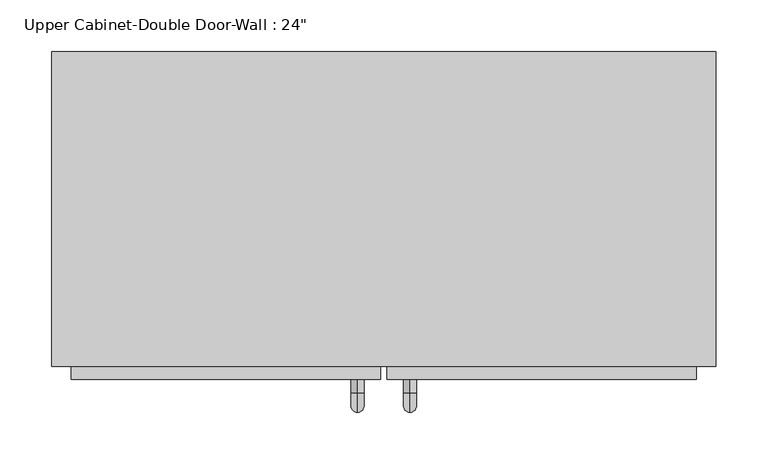
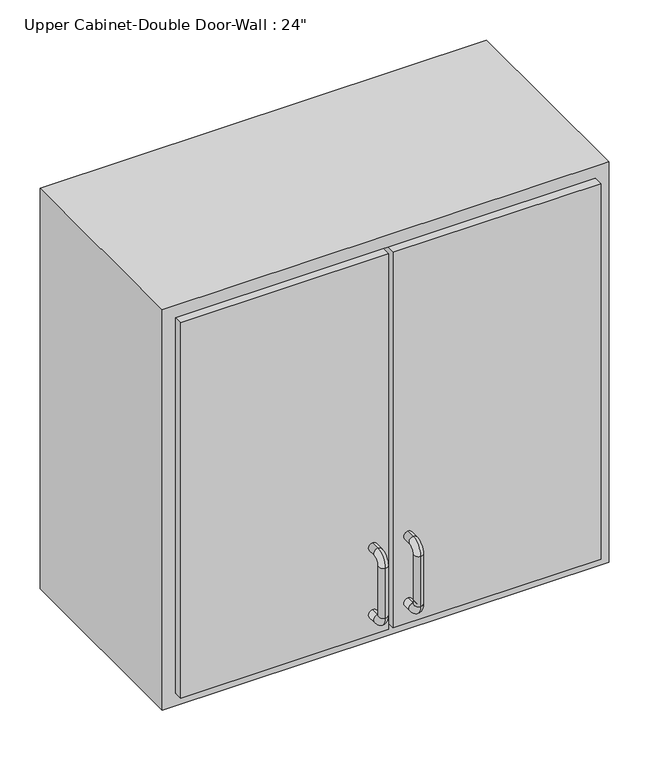
"""IFC4 building model written with IfcOpenShell, lengths in millimetres: furniture geometry."""

from ifc_helpers import new_model, si_unit, point, frame, origin, place, context, project, spatial, polyline, circle_curve, ellipse_curve, trimmed, outline, extrude, faceted_brep, source, transform, mapped, element, save
from ifc_brep_helpers import plane_surface, cylinder_surface, revolved_surface, advanced_brep


def furniture_c3daa6cf(model_context):
    return source(origin(), model_context, "Body", "SolidModel", [
        faceted_brep([(-291.7857108, -101.6, 2133.6), (351.3280364, -101.6, 2133.6), (351.3280364, -101.6, 1524.0), (-291.7857108, -101.6, 1524.0), (-291.7857108, -406.4, 2133.6), (-291.7857108, -406.4, 1524.0), (351.3280364, -406.4, 1524.0), (351.3280364, -406.4, 2133.6), (-272.7357108, -406.4, 2114.55), (332.2780364, -406.4, 2114.55), (332.2780364, -406.4, 1543.05), (-272.7357108, -406.4, 1543.05), (-272.7357108, -120.65, 2114.55), (332.2780364, -120.65, 2114.55), (332.2780364, -120.65, 1543.05), (-272.7357108, -120.65, 1543.05)], [[[0, 1, 2, 3]], [[4, 5, 6, 7], [8, 9, 10, 11]], [[3, 5, 4, 0]], [[2, 6, 5, 3]], [[1, 7, 6, 2]], [[0, 4, 7, 1]], [[8, 12, 13, 9]], [[9, 13, 14, 10]], [[10, 14, 15, 11]], [[11, 15, 12, 8]], [[12, 15, 14, 13]]]),
        advanced_brep(
        [(55.1711628, -419.1, 1670.05), (55.1711628, -419.1, 1682.75), (55.1711628, -431.8, 1682.75), (55.1711628, -431.8, 1670.05), (55.1711628, -450.85, 1663.7), (55.1711628, -438.15, 1663.7), (55.1711628, -450.85, 1587.5), (55.1711628, -438.15, 1587.5), (55.1711628, -431.8, 1568.45), (55.1711628, -431.8, 1581.15), (55.1711628, -419.1, 1581.15), (55.1711628, -419.1, 1568.45)],
        [
            (0, 1, circle_curve(frame((55.1711628, -419.1, 1676.4), z_axis=(0.0, 1.0, 0.0), x_axis=(0.0, 0.0, -1.0)), 6.35)),
            (1, 0, circle_curve(frame((55.1711628, -419.1, 1676.4), z_axis=(0.0, 1.0, 0.0), x_axis=(0.0, 0.0, -1.0)), 6.35)),
            (1, 2),
            (2, 3, circle_curve(frame((55.1711628, -431.8, 1676.4), z_axis=(0.0, 1.0, 0.0), x_axis=(0.0, 0.0, -1.0)), 6.35)),
            (3, 0),
            (3, 2, circle_curve(frame((55.1711628, -431.8, 1676.4), z_axis=(0.0, 1.0, 0.0), x_axis=(0.0, 0.0, -1.0)), 6.35)),
            (4, 5, circle_curve(frame((55.1711628, -444.5, 1663.7), z_axis=(0.0, 0.0, 1.0), x_axis=(0.0, 1.0, 0.0)), 6.35)),
            (5, 3, circle_curve(frame((55.1711628, -431.8, 1663.7), z_axis=(-1.0, 0.0, 0.0), x_axis=(0.0, 0.0, 1.0)), 6.35)),
            (2, 4, circle_curve(frame((55.1711628, -431.8, 1663.7), z_axis=(1.0, 0.0, 0.0), x_axis=(0.0, 0.0, 1.0)), 19.05)),
            (5, 4, circle_curve(frame((55.1711628, -444.5, 1663.7), z_axis=(0.0, 0.0, 1.0), x_axis=(0.0, 1.0, 0.0)), 6.35)),
            (4, 6),
            (6, 7, circle_curve(frame((55.1711628, -444.5, 1587.5), z_axis=(0.0, 0.0, 1.0), x_axis=(0.0, 1.0, 0.0)), 6.35)),
            (7, 5),
            (7, 6, circle_curve(frame((55.1711628, -444.5, 1587.5), z_axis=(0.0, 0.0, 1.0), x_axis=(0.0, 1.0, 0.0)), 6.35)),
            (8, 9, circle_curve(frame((55.1711628, -431.8, 1574.8), z_axis=(0.0, -1.0, 0.0), x_axis=(0.0, 0.0, 1.0)), 6.35)),
            (9, 7, circle_curve(frame((55.1711628, -431.8, 1587.5), z_axis=(-1.0, 0.0, 0.0), x_axis=(0.0, -1.0, 0.0)), 6.35)),
            (6, 8, circle_curve(frame((55.1711628, -431.8, 1587.5), z_axis=(1.0, 0.0, 0.0), x_axis=(0.0, -1.0, 0.0)), 19.05)),
            (9, 8, circle_curve(frame((55.1711628, -431.8, 1574.8), z_axis=(0.0, -1.0, 0.0), x_axis=(0.0, 0.0, 1.0)), 6.35)),
            (10, 11, circle_curve(frame((55.1711628, -419.1, 1574.8), z_axis=(0.0, 1.0, 0.0), x_axis=(0.0, 0.0, 1.0)), 6.35)),
            (11, 10, circle_curve(frame((55.1711628, -419.1, 1574.8), z_axis=(0.0, 1.0, 0.0), x_axis=(0.0, 0.0, 1.0)), 6.35)),
            (8, 11),
            (10, 9),
        ],
        [
            plane_surface(frame((48.8211628, -419.1, 1676.4), z_axis=(0.0, 1.0, 0.0), x_axis=(0.0, 0.0, 1.0))),
            cylinder_surface(frame((55.1711628, -419.1, 1676.4), z_axis=(0.0, 1.0, 0.0), x_axis=(0.0, 0.0, -1.0)), 6.35),
            revolved_surface(trimmed(ellipse_curve(frame((55.1711628, -431.8, 1676.4), z_axis=(0.0, -1.0, 0.0), x_axis=(0.0, 0.0, -1.0)), 6.35, 6.35), [point((55.1711628, -431.8, 1670.05))], [point((55.1711628, -431.8, 1682.75))], True, "CARTESIAN"), (55.1711628, -431.8, 1663.7), (-1.0, 0.0, 0.0)),
            revolved_surface(trimmed(ellipse_curve(frame((55.1711628, -431.8, 1676.4), z_axis=(0.0, -1.0, 0.0), x_axis=(0.0, 0.0, -1.0)), 6.35, 6.35), [point((55.1711628, -431.8, 1682.75))], [point((55.1711628, -431.8, 1670.05))], True, "CARTESIAN"), (55.1711628, -431.8, 1663.7), (-1.0, 0.0, 0.0)),
            cylinder_surface(frame((55.1711628, -444.5, 1663.7), z_axis=(0.0, 0.0, 1.0), x_axis=(0.0, 1.0, 0.0)), 6.35),
            revolved_surface(trimmed(ellipse_curve(frame((55.1711628, -444.5, 1587.5), z_axis=(0.0, 0.0, -1.0), x_axis=(0.0, 1.0, 0.0)), 6.35, 6.35), [point((55.1711628, -438.15, 1587.5))], [point((55.1711628, -450.85, 1587.5))], True, "CARTESIAN"), (55.1711628, -431.8, 1587.5), (-1.0, 0.0, 0.0)),
            revolved_surface(trimmed(ellipse_curve(frame((55.1711628, -444.5, 1587.5), z_axis=(0.0, 0.0, -1.0), x_axis=(0.0, 1.0, 0.0)), 6.35, 6.35), [point((55.1711628, -450.85, 1587.5))], [point((55.1711628, -438.15, 1587.5))], True, "CARTESIAN"), (55.1711628, -431.8, 1587.5), (-1.0, 0.0, 0.0)),
            plane_surface(frame((48.8211628, -419.1, 1574.8), z_axis=(0.0, 1.0, 0.0), x_axis=(0.0, 0.0, -1.0))),
            cylinder_surface(frame((55.1711628, -431.8, 1574.8), z_axis=(0.0, -1.0, 0.0), x_axis=(0.0, 0.0, 1.0)), 6.35),
        ],
        [
            (0, [[1, 2]]),
            (1, [[3, 4, 5, -2]]),
            (1, [[-5, 6, -3, -1]]),
            (2, [[7, 8, -4, 9]]),
            (3, [[10, -9, -6, -8]]),
            (4, [[11, 12, 13, -7]]),
            (4, [[-13, 14, -11, -10]]),
            (5, [[15, 16, -12, 17]]),
            (6, [[18, -17, -14, -16]]),
            (7, [[19, 20]]),
            (8, [[21, -19, 22, -15]]),
            (8, [[-22, -20, -21, -18]]),
        ],
    ),
        advanced_brep(
        [(4.3711628, -419.1, 1670.05), (4.3711628, -419.1, 1682.75), (4.3711628, -431.8, 1682.75), (4.3711628, -431.8, 1670.05), (4.3711628, -450.85, 1663.7), (4.3711628, -438.15, 1663.7), (4.3711628, -450.85, 1587.5), (4.3711628, -438.15, 1587.5), (4.3711628, -431.8, 1568.45), (4.3711628, -431.8, 1581.15), (4.3711628, -419.1, 1581.15), (4.3711628, -419.1, 1568.45)],
        [
            (0, 1, circle_curve(frame((4.3711628, -419.1, 1676.4), z_axis=(0.0, 1.0, 0.0), x_axis=(0.0, 0.0, 1.0)), 6.35)),
            (1, 0, circle_curve(frame((4.3711628, -419.1, 1676.4), z_axis=(0.0, 1.0, 0.0), x_axis=(0.0, 0.0, 1.0)), 6.35)),
            (1, 2),
            (2, 3, circle_curve(frame((4.3711628, -431.8, 1676.4), z_axis=(0.0, 1.0, 0.0), x_axis=(0.0, 0.0, 1.0)), 6.35)),
            (3, 0),
            (3, 2, circle_curve(frame((4.3711628, -431.8, 1676.4), z_axis=(0.0, 1.0, 0.0), x_axis=(0.0, 0.0, 1.0)), 6.35)),
            (4, 5, circle_curve(frame((4.3711628, -444.5, 1663.7), z_axis=(0.0, 0.0, 1.0), x_axis=(0.0, -1.0, 0.0)), 6.35)),
            (5, 3, circle_curve(frame((4.3711628, -431.8, 1663.7), z_axis=(-1.0, 0.0, 0.0), x_axis=(0.0, 0.0, 1.0)), 6.35)),
            (2, 4, circle_curve(frame((4.3711628, -431.8, 1663.7), z_axis=(1.0, 0.0, 0.0), x_axis=(0.0, 0.0, 1.0)), 19.05)),
            (5, 4, circle_curve(frame((4.3711628, -444.5, 1663.7), z_axis=(0.0, 0.0, 1.0), x_axis=(0.0, -1.0, 0.0)), 6.35)),
            (4, 6),
            (6, 7, circle_curve(frame((4.3711628, -444.5, 1587.5), z_axis=(0.0, 0.0, 1.0), x_axis=(0.0, -1.0, 0.0)), 6.35)),
            (7, 5),
            (7, 6, circle_curve(frame((4.3711628, -444.5, 1587.5), z_axis=(0.0, 0.0, 1.0), x_axis=(0.0, -1.0, 0.0)), 6.35)),
            (8, 9, circle_curve(frame((4.3711628, -431.8, 1574.8), z_axis=(0.0, -1.0, 0.0), x_axis=(0.0, 0.0, -1.0)), 6.35)),
            (9, 7, circle_curve(frame((4.3711628, -431.8, 1587.5), z_axis=(-1.0, 0.0, 0.0), x_axis=(0.0, -1.0, 0.0)), 6.35)),
            (6, 8, circle_curve(frame((4.3711628, -431.8, 1587.5), z_axis=(1.0, 0.0, 0.0), x_axis=(0.0, -1.0, 0.0)), 19.05)),
            (9, 8, circle_curve(frame((4.3711628, -431.8, 1574.8), z_axis=(0.0, -1.0, 0.0), x_axis=(0.0, 0.0, -1.0)), 6.35)),
            (10, 11, circle_curve(frame((4.3711628, -419.1, 1574.8), z_axis=(0.0, 1.0, 0.0), x_axis=(0.0, 0.0, -1.0)), 6.35)),
            (11, 10, circle_curve(frame((4.3711628, -419.1, 1574.8), z_axis=(0.0, 1.0, 0.0), x_axis=(0.0, 0.0, -1.0)), 6.35)),
            (8, 11),
            (10, 9),
        ],
        [
            plane_surface(frame((-1.9788372, -419.1, 1676.4), z_axis=(0.0, 1.0, 0.0), x_axis=(0.0, 0.0, 1.0))),
            cylinder_surface(frame((4.3711628, -419.1, 1676.4), z_axis=(0.0, 1.0, 0.0), x_axis=(0.0, 0.0, 1.0)), 6.35),
            revolved_surface(trimmed(ellipse_curve(frame((4.3711628, -431.8, 1676.4), z_axis=(0.0, -1.0, 0.0), x_axis=(0.0, 0.0, 1.0)), 6.35, 6.35), [point((4.3711628, -431.8, 1670.05))], [point((4.3711628, -431.8, 1682.75))], True, "CARTESIAN"), (4.3711628, -431.8, 1663.7), (-1.0, 0.0, 0.0)),
            revolved_surface(trimmed(ellipse_curve(frame((4.3711628, -431.8, 1676.4), z_axis=(0.0, -1.0, 0.0), x_axis=(0.0, 0.0, 1.0)), 6.35, 6.35), [point((4.3711628, -431.8, 1682.75))], [point((4.3711628, -431.8, 1670.05))], True, "CARTESIAN"), (4.3711628, -431.8, 1663.7), (-1.0, 0.0, 0.0)),
            cylinder_surface(frame((4.3711628, -444.5, 1663.7), z_axis=(0.0, 0.0, 1.0), x_axis=(0.0, -1.0, 0.0)), 6.35),
            revolved_surface(trimmed(ellipse_curve(frame((4.3711628, -444.5, 1587.5), z_axis=(0.0, 0.0, -1.0), x_axis=(0.0, -1.0, 0.0)), 6.35, 6.35), [point((4.3711628, -438.15, 1587.5))], [point((4.3711628, -450.85, 1587.5))], True, "CARTESIAN"), (4.3711628, -431.8, 1587.5), (-1.0, 0.0, 0.0)),
            revolved_surface(trimmed(ellipse_curve(frame((4.3711628, -444.5, 1587.5), z_axis=(0.0, 0.0, -1.0), x_axis=(0.0, -1.0, 0.0)), 6.35, 6.35), [point((4.3711628, -450.85, 1587.5))], [point((4.3711628, -438.15, 1587.5))], True, "CARTESIAN"), (4.3711628, -431.8, 1587.5), (-1.0, 0.0, 0.0)),
            plane_surface(frame((-1.9788372, -419.1, 1574.8), z_axis=(0.0, 1.0, 0.0), x_axis=(0.0, 0.0, -1.0))),
            cylinder_surface(frame((4.3711628, -431.8, 1574.8), z_axis=(0.0, -1.0, 0.0), x_axis=(0.0, 0.0, -1.0)), 6.35),
        ],
        [
            (0, [[1, 2]]),
            (1, [[3, 4, 5, -2]]),
            (1, [[-5, 6, -3, -1]]),
            (2, [[7, 8, -4, 9]]),
            (3, [[10, -9, -6, -8]]),
            (4, [[11, 12, 13, -7]]),
            (4, [[-13, 14, -11, -10]]),
            (5, [[15, 16, -12, 17]]),
            (6, [[18, -17, -14, -16]]),
            (7, [[19, 20]]),
            (8, [[21, -19, 22, -15]]),
            (8, [[-22, -20, -21, -18]]),
        ],
    ),
        extrude(outline(polyline([(32.9461628, -419.1), (32.9461628, -387.35), (332.2780364, -387.35), (332.2780364, -419.1), (32.9461628, -419.1)])), frame((0.0, 0.0, 1543.05), z_axis=(0.0, 0.0, 1.0), x_axis=(1.0, 0.0, 0.0)), (0.0, 0.0, 1.0), 571.5),
        extrude(outline(polyline([(-272.7357108, -419.1), (-272.7357108, -387.35), (26.5961628, -387.35), (26.5961628, -419.1), (-272.7357108, -419.1)])), frame((0.0, 0.0, 1543.05), z_axis=(0.0, 0.0, 1.0), x_axis=(1.0, 0.0, 0.0)), (0.0, 0.0, 1.0), 571.5),
    ])


if __name__ == "__main__":
    model = new_model("IFC4")
    model_context = context("Model", 3, world=origin())
    ifc_project = project(units=[si_unit("LENGTHUNIT", "METRE", prefix="MILLI")], contexts=[model_context])
    site = spatial("IfcSite", under=ifc_project)
    building = spatial("IfcBuilding", under=site)
    placement = place(None, origin())
    furniture_shape = furniture_c3daa6cf(model_context)
    element("IfcFurniture", 1, ObjectType="Upper Cabinet-Double Door-Wall : 24\"", at=placement, inside=building, context=model_context, shape_type="MappedRepresentation", body=[
        mapped(furniture_shape, transform((0.0, 0.0, 0.0), x_axis=(1.0, 0.0, 0.0), y_axis=(0.0, 1.0, 0.0), z_axis=(0.0, 0.0, 1.0))),
    ])
    save(model, "model.ifc")
